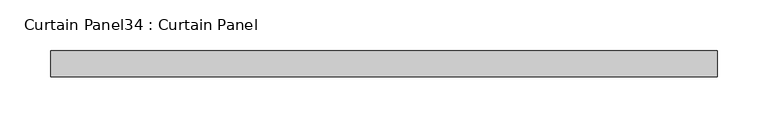
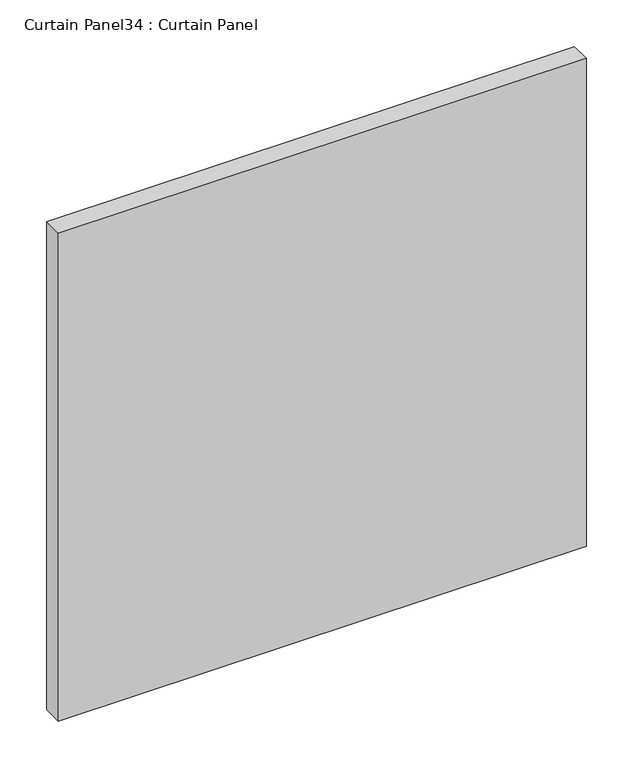
"""IFC4 building model written with IfcOpenShell, lengths in millimetres: plate geometry, Curtain Panel34 : Curtain Panel."""

from ifc_helpers import new_model, si_unit, frame, origin, place, context, project, spatial, polyline, outline, extrude, source, transform, mapped, element, save


def curtain_panel34_curtain_panel_c0fe6d8e(model_context):
    return source(origin(), model_context, "Body", "SweptSolid", [
        extrude(outline(polyline([(6123.0558155, 3568.3617926), (5467.7445838, 3568.3617926), (5467.7445838, 3593.7617926), (6123.0558155, 3593.7617926), (6123.0558155, 3568.3617926)])), frame((0.0, 0.0, 683.2829784), z_axis=(0.0, 0.0, 1.0), x_axis=(1.0, 0.0, 0.0)), (0.0, 0.0, 1.0), 640.2047516),
    ])


if __name__ == "__main__":
    model = new_model("IFC4")
    model_context = context("Model", 3, world=origin())
    ifc_project = project(units=[si_unit("LENGTHUNIT", "METRE", prefix="MILLI")], contexts=[model_context])
    site = spatial("IfcSite", under=ifc_project)
    building = spatial("IfcBuilding", under=site)
    placement = place(None, origin())
    curtain_panel34_curtain_panel_shape = curtain_panel34_curtain_panel_c0fe6d8e(model_context)
    element("IfcPlate", 1, ObjectType="Curtain Panel34 : Curtain Panel", at=placement, inside=building, context=model_context, shape_type="MappedRepresentation", body=[
        mapped(curtain_panel34_curtain_panel_shape, transform((0.0, 0.0, 0.0), x_axis=(1.0, 0.0, 0.0), y_axis=(0.0, 1.0, 0.0), z_axis=(0.0, 0.0, 1.0))),
    ])
    save(model, "model.ifc")
